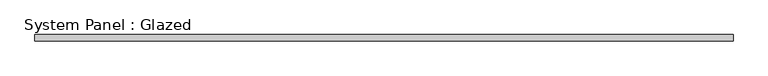
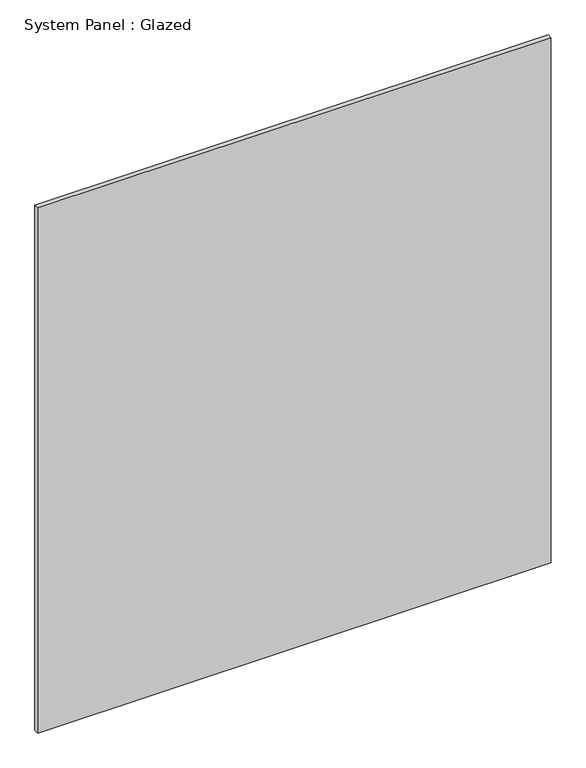
"""IFC4 building model written with IfcOpenShell, lengths in millimetres: plate geometry, System Panel : Glazed."""

from ifc_helpers import new_model, si_unit, origin, origin_with_axes, place, context, project, spatial, polyline, outline, extrude, source, transform, mapped, element, save


def system_panel_glazed_b5dd0ea3(model_context):
    return source(origin(), model_context, "Body", "SweptSolid", [
        extrude(outline(polyline([(1409.7, -44.45), (-1409.7, -44.45), (-1409.7, -19.05), (1409.7, -19.05), (1409.7, -44.45)])), origin_with_axes(), (0.0, 0.0, 1.0), 3048.0),
    ])


if __name__ == "__main__":
    model = new_model("IFC4")
    model_context = context("Model", 3, world=origin())
    ifc_project = project(units=[si_unit("LENGTHUNIT", "METRE", prefix="MILLI")], contexts=[model_context])
    site = spatial("IfcSite", under=ifc_project)
    building = spatial("IfcBuilding", under=site)
    placement = place(None, origin())
    system_panel_glazed_shape = system_panel_glazed_b5dd0ea3(model_context)
    element("IfcPlate", 1, ObjectType="System Panel : Glazed", at=placement, inside=building, context=model_context, shape_type="MappedRepresentation", body=[
        mapped(system_panel_glazed_shape, transform((0.0, 0.0, 0.0), x_axis=(1.0, 0.0, 0.0), y_axis=(0.0, 1.0, 0.0), z_axis=(0.0, 0.0, 1.0))),
    ])
    save(model, "model.ifc")
